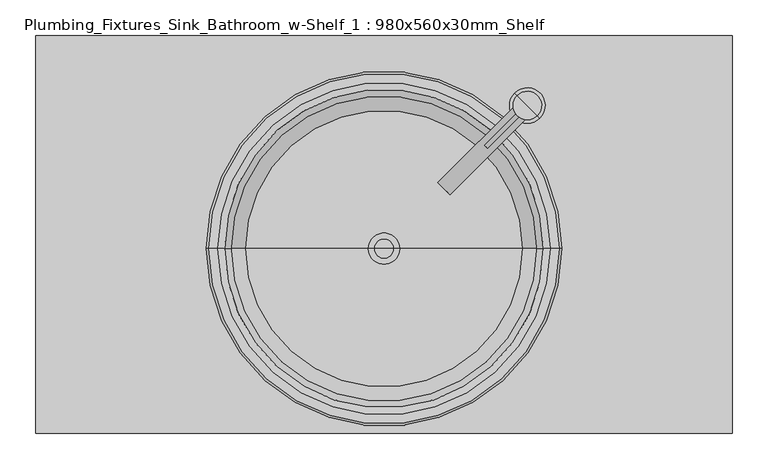
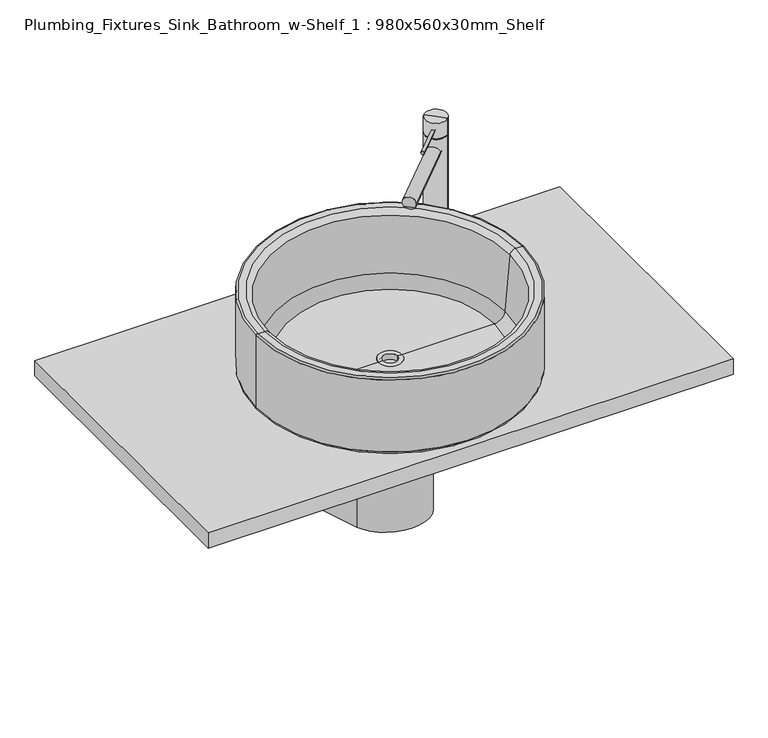
"""IFC4 building model written with IfcOpenShell, lengths in millimetres: flow terminal geometry, Plumbing_Fixtures_Sink_Bathroom_w-Shelf_1 : 980x560x30mm_Shelf."""

from ifc_helpers import new_model, si_unit, point, frame, frame_2d, origin, place, context, project, spatial, polyline, circle_curve, ellipse_curve, trimmed, segment, composite_curve, outline, extrude, source, transform, mapped, element, save
from ifc_brep_helpers import plane_surface, cylinder_surface, revolved_surface, advanced_brep


def plumbing_fixtures_sink_bathroom_w_shelf_1_980x560x30mm_shelf_bc39725f(model_context):
    return source(origin(), model_context, "Body", "SolidModel", [
        advanced_brep(
        [(117.6871066, -224.1333228, 240.6419785), (100.7165438, -207.16276, 240.6419785), (102.5610803, -209.0072965, 233.1719709), (115.8425701, -222.2887863, 233.1719709), (217.8900178, -89.989286, 240.6419785), (234.8605806, -106.9598487, 240.6419785), (133.5202396, -204.6111168, 233.1719709), (120.2387498, -191.329627, 233.1719709)],
        [
            (0, 1, circle_curve(frame((109.2018252, -215.6480414, 240.6419785), z_axis=(-0.707106781186547, -0.707106781186548, 0.0), x_axis=(0.7071067811865485, -0.7071067811865475, 0.0)), 12.0)),
            (1, 2, circle_curve(frame((109.2018252, -215.6480414, 240.6419785), z_axis=(-0.707106781186547, -0.707106781186548, 0.0), x_axis=(0.7071067811865485, -0.7071067811865475, 0.0)), 12.0)),
            (2, 3),
            (3, 0, circle_curve(frame((109.2018252, -215.6480414, 240.6419785), z_axis=(-0.707106781186547, -0.707106781186548, 0.0), x_axis=(0.7071067811865485, -0.7071067811865475, 0.0)), 12.0)),
            (4, 5, circle_curve(frame((226.3752992, -98.4745674, 240.6419785), z_axis=(0.707106781186547, 0.707106781186548, 0.0), x_axis=(0.7071067811865485, -0.7071067811865475, 0.0)), 12.0)),
            (5, 4, circle_curve(frame((226.3752992, -98.4745674, 240.6419785), z_axis=(0.707106781186547, 0.707106781186548, 0.0), x_axis=(0.7071067811865485, -0.7071067811865475, 0.0)), 12.0)),
            (5, 0),
            (3, 6),
            (6, 7, circle_curve(frame((126.8794947, -197.9703719, 240.6419785), z_axis=(0.707106781186547, 0.707106781186548, 0.0), x_axis=(0.7071067811865485, -0.7071067811865475, 0.0)), 12.0)),
            (7, 2),
            (1, 4),
            (7, 6),
        ],
        [
            plane_surface(frame((117.6871066, -224.1333228, 240.6419785), z_axis=(-0.707106781186547, -0.707106781186548, 0.0), x_axis=(0.0, 0.0, 1.0))),
            plane_surface(frame((234.8605806, -106.9598487, 240.6419785), z_axis=(0.707106781186547, 0.707106781186548, 0.0), x_axis=(0.0, 0.0, -1.0))),
            cylinder_surface(frame((226.3752992, -98.4745674, 240.6419785), z_axis=(-0.7071067811865475, -0.7071067811865485, 0.0), x_axis=(0.7071067811865485, -0.7071067811865475, 0.0)), 12.0),
            plane_surface(frame((98.3017966, -204.7480128, 233.1719709), z_axis=(0.0, 0.0, -1.0), x_axis=(0.707106781186548, -0.707106781186547, 0.0))),
            plane_surface(frame((115.9794661, -187.0703433, 233.1719709), z_axis=(-0.707106781186547, -0.707106781186548, 0.0), x_axis=(0.707106781186548, -0.707106781186547, 0.0))),
        ],
        [
            (0, [[1, 2, 3, 4]]),
            (1, [[5, 6]]),
            (2, [[-6, 7, -4, 8, 9, 10, -2, 11]]),
            (2, [[-1, -7, -5, -11]]),
            (3, [[12, -8, -3, -10]]),
            (4, [[-12, -9]]),
        ],
    ),
        extrude(outline(composite_curve([segment(trimmed(circle_curve(frame_2d((0.0, -3.0)), 3.0), [point((0.0, -6.0))], [point((0.0, 0.0))], False, "CARTESIAN"), True, "CONTINUOUS"), segment(trimmed(circle_curve(frame_2d((0.0, -3.0)), 3.0), [point((0.0, 0.0))], [point((0.0, -6.0))], False, "CARTESIAN"), True, "CONTINUOUS")], self_intersect=False)), frame((170.4834109, -158.6090964, 283.2676852), z_axis=(0.707106781186547, 0.707106781186548, 0.0), x_axis=(0.0, 0.0, 1.0)), (0.0, 0.0, 1.0), 82.0430665),
        advanced_brep(
        [(226.3752992, -98.4745674, 0.0), (208.6976297, -80.7968978, 0.0), (244.0529687, -116.1522369, 0.0), (240.5174348, -112.616703, 300.0), (212.2331636, -84.3324317, 300.0), (226.3752992, -98.4745674, 300.0), (240.5174348, -112.616703, 270.0), (212.2331636, -84.3324317, 270.0), (239.1032213, -111.2024894, 270.0), (213.6473772, -85.7466453, 270.0), (239.1032213, -111.2024894, 268.0), (213.6473772, -85.7466453, 268.0), (240.5174348, -112.616703, 268.0), (212.2331636, -84.3324317, 268.0), (240.5174348, -112.616703, 4.0), (212.2331636, -84.3324317, 4.0), (244.0529687, -116.1522369, 4.0), (208.6976297, -80.7968978, 4.0)],
        [
            (0, 1),
            (1, 2, circle_curve(frame((226.3752992, -98.4745674, 0.0), z_axis=(0.0, 0.0, -1.0), x_axis=(-0.7071067811865485, 0.7071067811865475, 0.0)), 25.0)),
            (2, 0),
            (2, 1, circle_curve(frame((226.3752992, -98.4745674, 0.0), z_axis=(0.0, 0.0, -1.0), x_axis=(-0.7071067811865485, 0.7071067811865475, 0.0)), 25.0)),
            (3, 4, circle_curve(frame((226.3752992, -98.4745674, 300.0), z_axis=(0.0, 0.0, 1.0), x_axis=(-0.7071067811865485, 0.7071067811865475, 0.0)), 20.0)),
            (4, 5),
            (5, 3),
            (4, 3, circle_curve(frame((226.3752992, -98.4745674, 300.0), z_axis=(0.0, 0.0, 1.0), x_axis=(-0.7071067811865485, 0.7071067811865475, 0.0)), 20.0)),
            (3, 6),
            (6, 7, circle_curve(frame((226.3752992, -98.4745674, 270.0), z_axis=(0.0, 0.0, 1.0), x_axis=(-0.7071067811865485, 0.7071067811865475, 0.0)), 20.0)),
            (7, 4),
            (7, 6, circle_curve(frame((226.3752992, -98.4745674, 270.0), z_axis=(0.0, 0.0, 1.0), x_axis=(-0.7071067811865485, 0.7071067811865475, 0.0)), 20.0)),
            (6, 8),
            (8, 9, circle_curve(frame((226.3752992, -98.4745674, 270.0), z_axis=(0.0, 0.0, 1.0), x_axis=(-0.7071067811865485, 0.7071067811865475, 0.0)), 18.0)),
            (9, 7),
            (9, 8, circle_curve(frame((226.3752992, -98.4745674, 270.0), z_axis=(0.0, 0.0, 1.0), x_axis=(-0.7071067811865485, 0.7071067811865475, 0.0)), 18.0)),
            (8, 10),
            (10, 11, circle_curve(frame((226.3752992, -98.4745674, 268.0), z_axis=(0.0, 0.0, 1.0), x_axis=(-0.7071067811865485, 0.7071067811865475, 0.0)), 18.0)),
            (11, 9),
            (11, 10, circle_curve(frame((226.3752992, -98.4745674, 268.0), z_axis=(0.0, 0.0, 1.0), x_axis=(-0.7071067811865485, 0.7071067811865475, 0.0)), 18.0)),
            (10, 12),
            (12, 13, circle_curve(frame((226.3752992, -98.4745674, 268.0), z_axis=(0.0, 0.0, 1.0), x_axis=(-0.7071067811865485, 0.7071067811865475, 0.0)), 20.0)),
            (13, 11),
            (13, 12, circle_curve(frame((226.3752992, -98.4745674, 268.0), z_axis=(0.0, 0.0, 1.0), x_axis=(-0.7071067811865485, 0.7071067811865475, 0.0)), 20.0)),
            (12, 14),
            (14, 15, circle_curve(frame((226.3752992, -98.4745674, 4.0), z_axis=(0.0, 0.0, 1.0), x_axis=(-0.7071067811865485, 0.7071067811865475, 0.0)), 20.0)),
            (15, 13),
            (15, 14, circle_curve(frame((226.3752992, -98.4745674, 4.0), z_axis=(0.0, 0.0, 1.0), x_axis=(-0.7071067811865485, 0.7071067811865475, 0.0)), 20.0)),
            (14, 16),
            (16, 17, circle_curve(frame((226.3752992, -98.4745674, 4.0), z_axis=(0.0, 0.0, 1.0), x_axis=(-0.7071067811865485, 0.7071067811865475, 0.0)), 25.0)),
            (17, 15),
            (17, 16, circle_curve(frame((226.3752992, -98.4745674, 4.0), z_axis=(0.0, 0.0, 1.0), x_axis=(-0.7071067811865485, 0.7071067811865475, 0.0)), 25.0)),
            (1, 17),
            (16, 2),
        ],
        [
            plane_surface(frame((226.3752992, -98.4745674, 0.0), z_axis=(0.0, 0.0, -1.0), x_axis=(-0.707106781186548, 0.707106781186547, 0.0))),
            plane_surface(frame((226.3752992, -98.4745674, 300.0), z_axis=(0.0, 0.0, 1.0), x_axis=(-0.707106781186548, 0.707106781186547, 0.0))),
            cylinder_surface(frame((226.3752992, -98.4745674, -25.0), z_axis=(0.0, 0.0, -1.0), x_axis=(-0.7071067811865485, 0.7071067811865475, 0.0)), 20.0),
            plane_surface(frame((226.3752992, -98.4745674, 270.0), z_axis=(0.0, 0.0, -1.0), x_axis=(-0.707106781186548, 0.707106781186547, 0.0))),
            cylinder_surface(frame((226.3752992, -98.4745674, -25.0), z_axis=(0.0, 0.0, -1.0), x_axis=(-0.7071067811865485, 0.7071067811865475, 0.0)), 18.0),
            plane_surface(frame((226.3752992, -98.4745674, 268.0), z_axis=(0.0, 0.0, 1.0), x_axis=(-0.707106781186548, 0.707106781186547, 0.0))),
            plane_surface(frame((226.3752992, -98.4745674, 4.0), z_axis=(0.0, 0.0, 1.0), x_axis=(-0.707106781186548, 0.707106781186547, 0.0))),
            cylinder_surface(frame((226.3752992, -98.4745674, -25.0), z_axis=(0.0, 0.0, -1.0), x_axis=(-0.7071067811865485, 0.7071067811865475, 0.0)), 25.0),
        ],
        [
            (0, [[1, 2, 3]]),
            (0, [[-1, -3, 4]]),
            (1, [[5, 6, 7]]),
            (1, [[-6, 8, -7]]),
            (2, [[-5, 9, 10, 11]]),
            (2, [[-8, -11, 12, -9]]),
            (3, [[-10, 13, 14, 15]]),
            (3, [[-12, -15, 16, -13]]),
            (4, [[-14, 17, 18, 19]]),
            (4, [[-16, -19, 20, -17]]),
            (5, [[-18, 21, 22, 23]]),
            (5, [[-20, -23, 24, -21]]),
            (2, [[-22, 25, 26, 27]]),
            (2, [[-24, -27, 28, -25]]),
            (6, [[-26, 29, 30, 31]]),
            (6, [[-28, -31, 32, -29]]),
            (7, [[-2, 33, -30, 34]]),
            (7, [[-4, -34, -32, -33]]),
        ],
    ),
        advanced_brep(
        [(111.5201538, -202.0160043, 233.1719709), (122.8338623, -213.3297128, 233.1719709), (111.5201538, -202.0160043, 227.0717002), (122.8338623, -213.3297128, 227.0717002)],
        [
            (0, 1, circle_curve(frame((117.177008, -207.6728586, 233.1719709), z_axis=(0.0, 0.0, 1.0), x_axis=(0.7071067811865485, -0.7071067811865475, 0.0)), 8.0)),
            (1, 0, circle_curve(frame((117.177008, -207.6728586, 233.1719709), z_axis=(0.0, 0.0, 1.0), x_axis=(0.7071067811865485, -0.7071067811865475, 0.0)), 8.0)),
            (2, 3, circle_curve(frame((117.177008, -207.6728586, 227.0717002), z_axis=(0.0, 0.0, -1.0), x_axis=(0.7071067811865485, -0.7071067811865475, 0.0)), 8.0)),
            (3, 2, circle_curve(frame((117.177008, -207.6728586, 227.0717002), z_axis=(0.0, 0.0, -1.0), x_axis=(0.7071067811865485, -0.7071067811865475, 0.0)), 8.0)),
            (0, 2),
            (3, 1),
        ],
        [
            plane_surface(frame((122.8338623, -213.3297128, 233.1719709), z_axis=(0.0, 0.0, 1.0), x_axis=(0.707106781186547, 0.707106781186548, 0.0))),
            plane_surface(frame((122.8338623, -213.3297128, 227.0717002), z_axis=(0.0, 0.0, -1.0), x_axis=(-0.707106781186547, -0.707106781186548, 0.0))),
            cylinder_surface(frame((117.177008, -207.6728586, 227.0717002), z_axis=(0.0, 0.0, 1.0), x_axis=(0.7071067811865485, -0.7071067811865475, 0.0)), 8.0),
        ],
        [
            (0, [[1, 2]]),
            (1, [[3, 4]]),
            (2, [[-1, 5, -4, 6]]),
            (2, [[-2, -6, -3, -5]]),
        ],
    ),
        advanced_brep(
        [(93.9365302, -311.2708876, -30.0), (144.717665, 0.0, -30.0), (-95.0179319, 0.0, -30.0), (-44.2367971, -311.2708876, -30.0), (93.9365302, -311.2708876, -286.6762322), (144.717665, 0.0, -335.8242671), (-95.0179319, 0.0, -335.8242671), (-44.2367971, -311.2708876, -286.6762322)],
        [
            (0, 1),
            (1, 2),
            (2, 3),
            (3, 0, circle_curve(frame((24.8498666, -300.0, -30.0), z_axis=(0.0, 0.0, 1.0), x_axis=(1.0, 0.0, 0.0)), 70.0)),
            (0, 4),
            (4, 5),
            (5, 1),
            (5, 6),
            (6, 2),
            (6, 7),
            (7, 3),
            (7, 4, ellipse_curve(frame((24.8498666, -300.0, -288.4558461), z_axis=(0.0, 0.1559625734730098, 0.9877629653290694), x_axis=(0.0, -0.9877629653290695, 0.1559625734730083)), 70.8672044, 70.0)),
        ],
        [
            plane_surface(frame((154.8498666, 62.10691, -30.0), z_axis=(0.0, 0.0, 1.0), x_axis=(0.16101267968927446, 0.9869523377444724, 0.0))),
            plane_surface(frame((93.9365302, -311.2708876, -30.0), z_axis=(0.9869523377444724, -0.16101267968927446, 0.0), x_axis=(0.0, 0.0, -1.0))),
            plane_surface(frame((144.717665, 0.0, -30.0), z_axis=(0.0, 1.0, 0.0), x_axis=(0.0, 0.0, -1.0))),
            plane_surface(frame((-95.0179319, 0.0, -30.0), z_axis=(-0.9869523377444726, -0.1610126796892741, 0.0), x_axis=(0.0, 0.0, -1.0))),
            cylinder_surface(frame((24.8498666, -300.0, -335.8242671), z_axis=(0.0, 0.0, 1.0), x_axis=(1.0, 0.0, 0.0)), 70.0),
            plane_surface(frame((189.9645656, 0.0, -335.8242671), z_axis=(0.0, -0.1559625734730098, -0.9877629653290694), x_axis=(-1.0, 0.0, 0.0))),
        ],
        [
            (0, [[1, 2, 3, 4]]),
            (1, [[-1, 5, 6, 7]]),
            (2, [[-2, -7, 8, 9]]),
            (3, [[-3, -9, 10, 11]]),
            (4, [[-4, -11, 12, -5]]),
            (5, [[-6, -12, -10, -8]]),
        ],
    ),
        advanced_brep(
        [(38.5877729, -300.0, 15.0), (11.1119603, -300.0, 15.0), (2.8498666, -300.0, 15.0), (46.8498666, -300.0, 15.0), (38.5877729, -300.0, 3.7247134), (11.1119603, -300.0, 3.7247134), (24.8498666, -300.0, 3.7247134), (41.8498666, -300.0, 0.0), (7.8498666, -300.0, 0.0), (24.8498666, -300.0, 0.0), (41.8498666, -300.0, 13.464751), (7.8498666, -300.0, 13.464751), (46.8498666, -300.0, 13.464751), (2.8498666, -300.0, 13.464751)],
        [
            (0, 1, circle_curve(frame((24.8498666, -300.0, 15.0), z_axis=(0.0, 0.0, -1.0), x_axis=(-1.0, 0.0, 0.0)), 13.7379063)),
            (1, 2),
            (2, 3, circle_curve(frame((24.8498666, -300.0, 15.0), z_axis=(0.0, 0.0, 1.0), x_axis=(-1.0, 0.0, 0.0)), 22.0)),
            (3, 0),
            (1, 0, circle_curve(frame((24.8498666, -300.0, 15.0), z_axis=(0.0, 0.0, -1.0), x_axis=(-1.0, 0.0, 0.0)), 13.7379063)),
            (3, 2, circle_curve(frame((24.8498666, -300.0, 15.0), z_axis=(0.0, 0.0, 1.0), x_axis=(-1.0, 0.0, 0.0)), 22.0)),
            (4, 5, circle_curve(frame((24.8498666, -300.0, 3.7247134), z_axis=(0.0, 0.0, -1.0), x_axis=(-1.0, 0.0, 0.0)), 13.7379063)),
            (5, 1),
            (0, 4),
            (5, 4, circle_curve(frame((24.8498666, -300.0, 3.7247134), z_axis=(0.0, 0.0, -1.0), x_axis=(-1.0, 0.0, 0.0)), 13.7379063)),
            (6, 5),
            (4, 6),
            (7, 8, circle_curve(frame((24.8498666, -300.0, 0.0), z_axis=(0.0, 0.0, -1.0), x_axis=(-1.0, 0.0, 0.0)), 17.0)),
            (8, 9),
            (9, 7),
            (8, 7, circle_curve(frame((24.8498666, -300.0, 0.0), z_axis=(0.0, 0.0, -1.0), x_axis=(-1.0, 0.0, 0.0)), 17.0)),
            (10, 11, circle_curve(frame((24.8498666, -300.0, 13.464751), z_axis=(0.0, 0.0, -1.0), x_axis=(-1.0, 0.0, 0.0)), 17.0)),
            (11, 8),
            (7, 10),
            (11, 10, circle_curve(frame((24.8498666, -300.0, 13.464751), z_axis=(0.0, 0.0, -1.0), x_axis=(-1.0, 0.0, 0.0)), 17.0)),
            (12, 13, circle_curve(frame((24.8498666, -300.0, 13.464751), z_axis=(0.0, 0.0, -1.0), x_axis=(-1.0, 0.0, 0.0)), 22.0)),
            (13, 11),
            (10, 12),
            (13, 12, circle_curve(frame((24.8498666, -300.0, 13.464751), z_axis=(0.0, 0.0, -1.0), x_axis=(-1.0, 0.0, 0.0)), 22.0)),
            (2, 13),
            (12, 3),
        ],
        [
            plane_surface(frame((24.8498666, -300.0, 15.0), z_axis=(0.0, 0.0, 1.0), x_axis=(-1.0, 0.0, 0.0))),
            revolved_surface(polyline([(11.111960299999998, -300.0, 15.000000000000002), (11.111960299999998, -300.0, 3.7247134000000006)]), (24.8498666, -300.0, -6.9916745), (0.0, 0.0, 1.0)),
            plane_surface(frame((24.8498666, -300.0, 3.7247134), z_axis=(0.0, 0.0, 1.0), x_axis=(-1.0, 0.0, 0.0))),
            plane_surface(frame((24.8498666, -300.0, 0.0), z_axis=(0.0, 0.0, -1.0), x_axis=(-1.0, 0.0, 0.0))),
            cylinder_surface(frame((24.8498666, -300.0, -6.9916745), z_axis=(0.0, 0.0, 1.0), x_axis=(-1.0, 0.0, 0.0)), 17.0),
            plane_surface(frame((24.8498666, -300.0, 13.464751), z_axis=(0.0, 0.0, -1.0), x_axis=(-1.0, 0.0, 0.0))),
            cylinder_surface(frame((24.8498666, -300.0, -6.9916745), z_axis=(0.0, 0.0, 1.0), x_axis=(-1.0, 0.0, 0.0)), 22.0),
        ],
        [
            (0, [[1, 2, 3, 4]]),
            (0, [[5, -4, 6, -2]]),
            (1, [[7, 8, -1, 9]]),
            (1, [[10, -9, -5, -8]]),
            (2, [[11, -7, 12]]),
            (2, [[-12, -10, -11]]),
            (3, [[13, 14, 15]]),
            (3, [[16, -15, -14]]),
            (4, [[17, 18, -13, 19]]),
            (4, [[20, -19, -16, -18]]),
            (5, [[21, 22, -17, 23]]),
            (5, [[24, -23, -20, -22]]),
            (6, [[-3, 25, -21, 26]]),
            (6, [[-6, -26, -24, -25]]),
        ],
    ),
        advanced_brep(
        [(274.8498666, -300.0, 5.0), (-225.1501334, -300.0, 5.0), (-220.1501334, -300.0, 0.0), (269.8498666, -300.0, 0.0), (274.8498666, -300.0, 147.0), (-225.1501334, -300.0, 147.0), (271.8498666, -300.0, 150.0), (-222.1501334, -300.0, 150.0), (259.0131783, -300.0, 150.0), (-209.3134452, -300.0, 150.0), (249.0512313, -300.0, 140.8715574), (-199.3514982, -300.0, 140.8715574), (239.6361675, -300.0, 33.2568851), (-189.9364343, -300.0, 33.2568851), (219.7122735, -300.0, 15.0), (-170.0125404, -300.0, 15.0), (46.8498666, -300.0, 15.0), (2.8498666, -300.0, 15.0), (46.8498666, -300.0, 13.464751), (2.8498666, -300.0, 13.464751), (41.8498666, -300.0, 13.464751), (7.8498666, -300.0, 13.464751), (41.8498666, -300.0, 0.0), (7.8498666, -300.0, 0.0)],
        [
            (0, 1, circle_curve(frame((24.8498666, -300.0, 5.0), z_axis=(0.0, 0.0, -1.0), x_axis=(-1.0, 0.0, 0.0)), 250.0)),
            (1, 2, circle_curve(frame((-220.1501334, -300.0, 5.0), z_axis=(0.0, -1.0, 0.0), x_axis=(-1.0, 0.0, 0.0)), 5.0)),
            (2, 3, circle_curve(frame((24.8498666, -300.0, 0.0), z_axis=(0.0, 0.0, 1.0), x_axis=(-1.0, 0.0, 0.0)), 245.0)),
            (3, 0, circle_curve(frame((269.8498666, -300.0, 5.0), z_axis=(0.0, -1.0, 0.0), x_axis=(1.0, 0.0, 0.0)), 5.0)),
            (1, 0, circle_curve(frame((24.8498666, -300.0, 5.0), z_axis=(0.0, 0.0, -1.0), x_axis=(-1.0, 0.0, 0.0)), 250.0)),
            (3, 2, circle_curve(frame((24.8498666, -300.0, 0.0), z_axis=(0.0, 0.0, 1.0), x_axis=(-1.0, 0.0, 0.0)), 245.0)),
            (4, 5, circle_curve(frame((24.8498666, -300.0, 147.0), z_axis=(0.0, 0.0, -1.0), x_axis=(-1.0, 0.0, 0.0)), 250.0)),
            (5, 1),
            (0, 4),
            (5, 4, circle_curve(frame((24.8498666, -300.0, 147.0), z_axis=(0.0, 0.0, -1.0), x_axis=(-1.0, 0.0, 0.0)), 250.0)),
            (6, 7, circle_curve(frame((24.8498666, -300.0, 150.0), z_axis=(0.0, 0.0, -1.0), x_axis=(-1.0, 0.0, 0.0)), 247.0)),
            (7, 5, circle_curve(frame((-222.1501334, -300.0, 147.0), z_axis=(0.0, -1.0, 0.0), x_axis=(-1.0, 0.0, 0.0)), 3.0)),
            (4, 6, circle_curve(frame((271.8498666, -300.0, 147.0), z_axis=(0.0, -1.0, 0.0), x_axis=(1.0, 0.0, 0.0)), 3.0)),
            (7, 6, circle_curve(frame((24.8498666, -300.0, 150.0), z_axis=(0.0, 0.0, -1.0), x_axis=(-1.0, 0.0, 0.0)), 247.0)),
            (8, 9, circle_curve(frame((24.8498666, -300.0, 150.0), z_axis=(0.0, 0.0, -1.0), x_axis=(-1.0, 0.0, 0.0)), 234.1633117)),
            (9, 7),
            (6, 8),
            (9, 8, circle_curve(frame((24.8498666, -300.0, 150.0), z_axis=(0.0, 0.0, -1.0), x_axis=(-1.0, 0.0, 0.0)), 234.1633117)),
            (10, 11, circle_curve(frame((24.8498666, -300.0, 140.8715574), z_axis=(0.0, 0.0, -1.0), x_axis=(-1.0, 0.0, 0.0)), 224.2013648)),
            (11, 9, circle_curve(frame((-209.3134452, -300.0, 140.0), z_axis=(0.0, -1.0, 0.0), x_axis=(-1.0, 0.0, 0.0)), 10.0)),
            (8, 10, circle_curve(frame((259.0131783, -300.0, 140.0), z_axis=(0.0, -1.0, 0.0), x_axis=(1.0, 0.0, 0.0)), 10.0)),
            (11, 10, circle_curve(frame((24.8498666, -300.0, 140.8715574), z_axis=(0.0, 0.0, -1.0), x_axis=(-1.0, 0.0, 0.0)), 224.2013648)),
            (12, 13, circle_curve(frame((24.8498666, -300.0, 33.2568851), z_axis=(0.0, 0.0, -1.0), x_axis=(-1.0, 0.0, 0.0)), 214.7863009)),
            (13, 11),
            (10, 12),
            (13, 12, circle_curve(frame((24.8498666, -300.0, 33.2568851), z_axis=(0.0, 0.0, -1.0), x_axis=(-1.0, 0.0, 0.0)), 214.7863009)),
            (14, 15, circle_curve(frame((24.8498666, -300.0, 15.0), z_axis=(0.0, 0.0, -1.0), x_axis=(-1.0, 0.0, 0.0)), 194.8624069)),
            (15, 13, circle_curve(frame((-170.0125404, -300.0, 35.0), z_axis=(0.0, 1.0, 0.0), x_axis=(-1.0, 0.0, 0.0)), 20.0)),
            (12, 14, circle_curve(frame((219.7122735, -300.0, 35.0), z_axis=(0.0, 1.0, 0.0), x_axis=(1.0, 0.0, 0.0)), 20.0)),
            (15, 14, circle_curve(frame((24.8498666, -300.0, 15.0), z_axis=(0.0, 0.0, -1.0), x_axis=(-1.0, 0.0, 0.0)), 194.8624069)),
            (16, 17, circle_curve(frame((24.8498666, -300.0, 15.0), z_axis=(0.0, 0.0, -1.0), x_axis=(-1.0, 0.0, 0.0)), 22.0)),
            (17, 15),
            (14, 16),
            (17, 16, circle_curve(frame((24.8498666, -300.0, 15.0), z_axis=(0.0, 0.0, -1.0), x_axis=(-1.0, 0.0, 0.0)), 22.0)),
            (18, 19, circle_curve(frame((24.8498666, -300.0, 13.464751), z_axis=(0.0, 0.0, -1.0), x_axis=(-1.0, 0.0, 0.0)), 22.0)),
            (19, 17),
            (16, 18),
            (19, 18, circle_curve(frame((24.8498666, -300.0, 13.464751), z_axis=(0.0, 0.0, -1.0), x_axis=(-1.0, 0.0, 0.0)), 22.0)),
            (20, 21, circle_curve(frame((24.8498666, -300.0, 13.464751), z_axis=(0.0, 0.0, -1.0), x_axis=(-1.0, 0.0, 0.0)), 17.0)),
            (21, 19),
            (18, 20),
            (21, 20, circle_curve(frame((24.8498666, -300.0, 13.464751), z_axis=(0.0, 0.0, -1.0), x_axis=(-1.0, 0.0, 0.0)), 17.0)),
            (22, 23, circle_curve(frame((24.8498666, -300.0, 0.0), z_axis=(0.0, 0.0, -1.0), x_axis=(-1.0, 0.0, 0.0)), 17.0)),
            (23, 21),
            (20, 22),
            (23, 22, circle_curve(frame((24.8498666, -300.0, 0.0), z_axis=(0.0, 0.0, -1.0), x_axis=(-1.0, 0.0, 0.0)), 17.0)),
            (2, 23),
            (22, 3),
        ],
        [
            revolved_surface(trimmed(ellipse_curve(frame((-220.1501334, -300.0, 5.0), z_axis=(0.0, 1.0, 0.0), x_axis=(-1.0, 0.0, 0.0)), 5.0, 5.0), [point((-220.1501334, -300.0, 0.0))], [point((-225.1501334, -300.0, 5.0))], True, "CARTESIAN"), (24.8498666, -300.0, -50.0), (0.0, 0.0, 1.0)),
            cylinder_surface(frame((24.8498666, -300.0, -50.0), z_axis=(0.0, 0.0, 1.0), x_axis=(-1.0, 0.0, 0.0)), 250.0),
            revolved_surface(trimmed(ellipse_curve(frame((-222.1501334, -300.0, 147.0), z_axis=(0.0, 1.0, 0.0), x_axis=(-1.0, 0.0, 0.0)), 3.0, 3.0), [point((-225.1501334, -300.0, 147.0))], [point((-222.1501334, -300.0, 150.0))], True, "CARTESIAN"), (24.8498666, -300.0, -50.0), (0.0, 0.0, 1.0)),
            plane_surface(frame((24.8498666, -300.0, 150.0), z_axis=(0.0, 0.0, 1.0), x_axis=(-1.0, 0.0, 0.0))),
            revolved_surface(trimmed(ellipse_curve(frame((-209.3134452, -300.0, 140.0), z_axis=(0.0, 1.0, 0.0), x_axis=(-1.0, 0.0, 0.0)), 10.0, 10.0), [point((-209.3134452, -300.0, 150.0))], [point((-199.3514982, -300.0, 140.8715574))], True, "CARTESIAN"), (24.8498666, -300.0, -50.0), (0.0, 0.0, 1.0)),
            revolved_surface(polyline([(-199.3514982, -300.0, 140.8715574), (-189.9364343, -300.0, 33.2568851)]), (24.8498666, -300.0, -50.0), (0.0, 0.0, 1.0)),
            revolved_surface(trimmed(ellipse_curve(frame((-170.0125404, -300.0, 35.0), z_axis=(0.0, -1.0, 0.0), x_axis=(-1.0, 0.0, 0.0)), 20.0, 20.0), [point((-189.9364343, -300.0, 33.2568851))], [point((-170.0125404, -300.0, 15.0))], True, "CARTESIAN"), (24.8498666, -300.0, -50.0), (0.0, 0.0, 1.0)),
            plane_surface(frame((24.8498666, -300.0, 15.0), z_axis=(0.0, 0.0, 1.0), x_axis=(-1.0, 0.0, 0.0))),
            revolved_surface(polyline([(2.8498665999999986, -300.0, 15.0), (2.8498665999999986, -300.0, 13.464751)]), (24.8498666, -300.0, -50.0), (0.0, 0.0, 1.0)),
            plane_surface(frame((24.8498666, -300.0, 13.464751), z_axis=(0.0, 0.0, 1.0), x_axis=(-1.0, 0.0, 0.0))),
            revolved_surface(polyline([(7.849866599999999, -300.0, 13.464751), (7.849866599999999, -300.0, 0.0)]), (24.8498666, -300.0, -50.0), (0.0, 0.0, 1.0)),
            plane_surface(frame((24.8498666, -300.0, 0.0), z_axis=(0.0, 0.0, -1.0), x_axis=(-1.0, 0.0, 0.0))),
        ],
        [
            (0, [[1, 2, 3, 4]]),
            (0, [[5, -4, 6, -2]]),
            (1, [[7, 8, -1, 9]]),
            (1, [[10, -9, -5, -8]]),
            (2, [[11, 12, -7, 13]]),
            (2, [[14, -13, -10, -12]]),
            (3, [[15, 16, -11, 17]]),
            (3, [[18, -17, -14, -16]]),
            (4, [[19, 20, -15, 21]]),
            (4, [[22, -21, -18, -20]]),
            (5, [[23, 24, -19, 25]]),
            (5, [[26, -25, -22, -24]]),
            (6, [[27, 28, -23, 29]]),
            (6, [[30, -29, -26, -28]]),
            (7, [[31, 32, -27, 33]]),
            (7, [[34, -33, -30, -32]]),
            (8, [[35, 36, -31, 37]]),
            (8, [[38, -37, -34, -36]]),
            (9, [[39, 40, -35, 41]]),
            (9, [[42, -41, -38, -40]]),
            (10, [[43, 44, -39, 45]]),
            (10, [[46, -45, -42, -44]]),
            (11, [[-3, 47, -43, 48]]),
            (11, [[-6, -48, -46, -47]]),
        ],
    ),
        extrude(outline(polyline([(514.8498666, 0.0), (514.8498666, -560.0), (-465.1501334, -560.0), (-465.1501334, 0.0), (514.8498666, 0.0)])), frame((0.0, 0.0, -30.0), z_axis=(0.0, 0.0, 1.0), x_axis=(1.0, 0.0, 0.0)), (0.0, 0.0, 1.0), 30.0),
    ])


if __name__ == "__main__":
    model = new_model("IFC4")
    model_context = context("Model", 3, world=origin())
    ifc_project = project(units=[si_unit("LENGTHUNIT", "METRE", prefix="MILLI")], contexts=[model_context])
    site = spatial("IfcSite", under=ifc_project)
    building = spatial("IfcBuilding", under=site)
    placement = place(None, origin())
    plumbing_fixtures_sink_bathroom_w_shelf_1_980x560x30mm_shelf_shape = plumbing_fixtures_sink_bathroom_w_shelf_1_980x560x30mm_shelf_bc39725f(model_context)
    element("IfcFlowTerminal", 1, ObjectType="Plumbing_Fixtures_Sink_Bathroom_w-Shelf_1 : 980x560x30mm_Shelf", at=placement, inside=building, context=model_context, shape_type="MappedRepresentation", body=[
        mapped(plumbing_fixtures_sink_bathroom_w_shelf_1_980x560x30mm_shelf_shape, transform((0.0, 0.0, 0.0), x_axis=(1.0, 0.0, 0.0), y_axis=(0.0, 1.0, 0.0), z_axis=(0.0, 0.0, 1.0))),
    ])
    save(model, "model.ifc")
